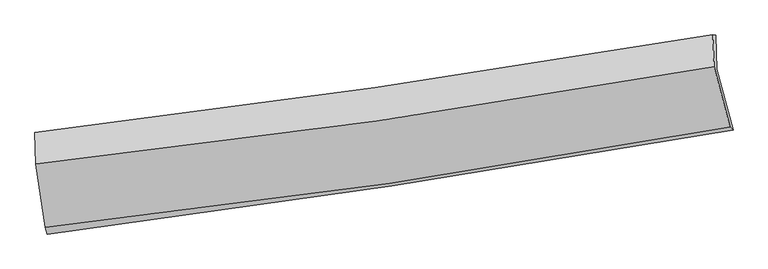
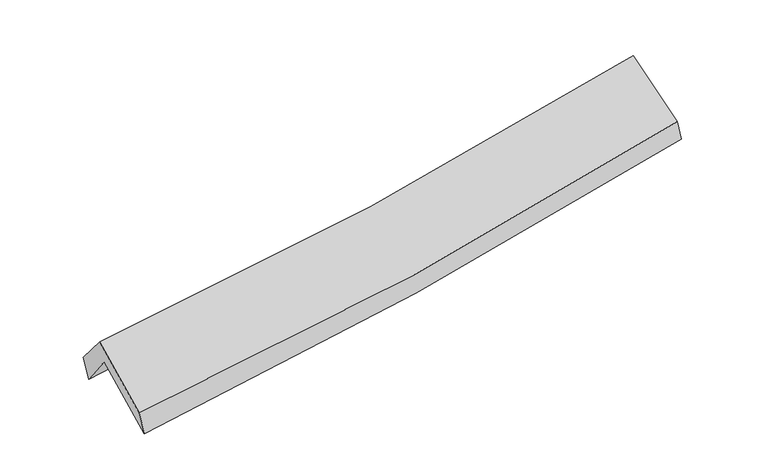
"""IFC4 building model written with IfcOpenShell, lengths in millimetres: proxy geometry."""

from ifc_helpers import new_model, si_unit, frame, origin, place, context, project, spatial, source, transform, mapped, element, save
from ifc_brep_helpers import plane_surface, spline_curve, spline_surface, advanced_brep


def generic_models_684fb9e7(model_context):
    return source(origin(), model_context, "Body", "AdvancedBrep", [
        advanced_brep(
        [(-2717.6624438, -2505.4656812, 1472.539298), (-2794.0965932, -1981.3402847, 1902.6946622), (2726.2682862, -1163.2815674, 2372.8516662), (2858.3496452, -1657.1272424, 1956.6470628), (-2800.130502, -1733.5234788, 1578.4542371), (2715.4532006, -886.8989763, 2070.9520322), (-2816.7163661, -1676.9910692, 1771.0450792), (2694.6353784, -882.8563691, 2241.632265), (-2808.7622117, -1932.7177187, 2075.3560839), (2703.4671985, -1139.758445, 2532.6009547), (-2733.3585398, -2449.7769089, 1651.0000313), (2834.3534546, -1634.0430698, 2127.1502294)],
        [
            (0, 1),
            (1, 2, spline_curve(3, [(-2794.0965932, -1981.3402847, 1902.6946622), (-1867.133555886, -1875.828343323, 1959.812441789), (-943.230630804, -1754.82924302, 2027.593721312), (896.880540537, -1482.090089552, 2184.349156537), (1813.099241737, -1330.402950433, 2273.286878121), (2726.2682862, -1163.2815674, 2372.8516662)], [4, 2, 4], [0.0, 9.246793029003713, 18.4777759071045])),
            (2, 3),
            (3, 0, spline_curve(3, [(2858.3496452, -1657.1272424, 1956.6470628), (1936.866463079, -1819.766181073, 1843.574335932), (1011.857801136, -1971.729174038, 1746.716291058), (-846.800808559, -2254.545254661, 1585.291446102), (-1780.462842895, -2385.361741301, 1520.780235804), (-2717.6624438, -2505.4656812, 1472.539298)], [4, 2, 4], [0.0, 9.230982878100788, 18.4777759071045])),
            (1, 4),
            (4, 5, spline_curve(3, [(-2800.130502, -1733.5234788, 1578.4542371), (-1873.000100719, -1622.729651786, 1634.03928806), (-949.41267851, -1496.707311259, 1702.919779269), (889.103117096, -1214.447112611, 1867.131136865), (1804.043595814, -1058.261285975, 1962.416577552), (2715.4532006, -886.8989763, 2070.9520322)], [4, 2, 4], [0.0, 9.198473580485365, 18.381219626578226])),
            (5, 2),
            (4, 6),
            (6, 7, spline_curve(3, [(-2816.7163661, -1676.9910692, 1771.0450792), (-1892.84733543, -1566.776333801, 1828.192661192), (-971.242470416, -1445.424930017, 1896.024739103), (865.86704186, -1180.675312663, 2052.923639593), (1781.379424842, -1037.315149954, 2141.953957063), (2694.6353784, -882.8563691, 2241.632265)], [4, 2, 4], [0.0, 9.187916812597537, 18.360124140746244])),
            (7, 5),
            (6, 8),
            (8, 9, spline_curve(3, [(-2808.7622117, -1932.7177187, 2075.3560839), (-1882.184394211, -1833.43433361, 2115.96088899), (-959.153030404, -1717.642047877, 2174.414892517), (878.244656077, -1453.265884664, 2326.890834598), (1792.623095554, -1304.738412146, 2420.851787675), (2703.4671985, -1139.758445, 2532.6009547)], [4, 2, 4], [0.0, 9.176880615844322, 18.338070616910144])),
            (9, 7),
            (8, 10),
            (10, 11, spline_curve(3, [(-2733.3585398, -2449.7769089, 1651.0000313), (-1795.87761188, -2348.61063706, 1692.637670287), (-862.767893472, -2229.976584227, 1753.185789958), (993.121169957, -1958.005622656, 1911.967133862), (1915.915449314, -1804.728395852, 2010.135746489), (2834.3534546, -1634.0430698, 2127.1502294)], [4, 2, 4], [0.0, 9.226890805921453, 18.43800548972696])),
            (11, 9),
            (10, 0),
            (3, 11),
        ],
        [
            spline_surface(3, 3, [[(-2717.6624438, -2505.4656812, 1472.539298), (-1780.462842796, -2385.361741411, 1520.780235815), (-846.800808521, -2254.545254781, 1585.291446003), (1011.857801098, -1971.729173919, 1746.716291157), (1936.866463166, -1819.76618093, 1843.574335868), (2858.3496452, -1657.1272424, 1956.6470628)], [(-2743.14049363, -2330.757215701, 1615.924419403), (-1809.353080528, -2215.51727536, 1667.124304453), (-878.944082563, -2087.973250897, 1732.725537807), (973.53204754, -1808.516145772, 1892.59391292), (1895.610722632, -1656.645104114, 1986.811849927), (2814.322525514, -1492.512017398, 2095.38193059)], [(-2768.61854337, -2156.048750199, 1759.309540797), (-1838.24331817, -2045.672809305, 1813.468373081), (-911.087356627, -1921.401246996, 1880.159629604), (935.206293959, -1645.303117606, 2038.471534678), (1854.354982156, -1493.524027303, 2130.049364016), (2770.295405886, -1327.896792402, 2234.11679841)], [(-2794.0965932, -1981.3402847, 1902.6946622), (-1867.133555902, -1875.828343253, 1959.812441719), (-943.230630668, -1754.829243112, 2027.593721408), (896.880540402, -1482.090089459, 2184.349156441), (1813.099241623, -1330.402950487, 2273.286878076), (2726.2682862, -1163.2815674, 2372.8516662)]], [4, 4], [4, 2, 4], [0.0, 2.199531610414224], [0.0, 9.246793029003713, 18.4777759071045]),
            spline_surface(3, 3, [[(-2794.0965932, -1981.3402847, 1902.6946622), (-1867.133555902, -1875.828343253, 1959.812441719), (-943.230630668, -1754.829243112, 2027.593721408), (896.880540402, -1482.090089459, 2184.349156441), (1813.099241623, -1330.402950487, 2273.286878076), (2726.2682862, -1163.2815674, 2372.8516662)], [(-2796.107896121, -1898.734682718, 1794.614520514), (-1869.089070814, -1791.462112766, 1851.221390506), (-945.29131328, -1668.788599108, 1919.369073962), (894.288065992, -1392.875763891, 2078.609816609), (1810.080693047, -1239.689062305, 2169.663444598), (2722.663257683, -1071.154037023, 2272.218454877)], [(-2798.119199079, -1816.129080782, 1686.534378786), (-1871.044585764, -1707.095882324, 1742.630339251), (-947.351995933, -1582.747955111, 1811.144426576), (891.69559154, -1303.661438331, 1972.870476837), (1807.062144422, -1148.975174153, 2066.040011088), (2719.058229117, -979.026506677, 2171.585243523)], [(-2800.130502, -1733.5234788, 1578.4542371), (-1873.000100675, -1622.729651838, 1634.039288038), (-949.412678545, -1496.707311106, 1702.91977913), (889.10311713, -1214.447112763, 1867.131137004), (1804.043595846, -1058.261285972, 1962.41657761), (2715.4532006, -886.8989763, 2070.9520322)]], [4, 4], [4, 2, 4], [0.0, 1.361299557715241], [0.0, 9.198473580485365, 18.381219626578226]),
            spline_surface(3, 3, [[(-2800.130502, -1733.5234788, 1578.4542371), (-1873.000100675, -1622.729651838, 1634.039288038), (-949.412678545, -1496.707311106, 1702.91977913), (889.10311713, -1214.447112763, 1867.131137004), (1804.043595846, -1058.261285972, 1962.41657761), (2715.4532006, -886.8989763, 2070.9520322)], [(-2805.659123374, -1714.679342273, 1642.651184441), (-1879.615845636, -1604.078545833, 1698.757079024), (-956.689275856, -1479.613184019, 1767.288099108), (881.35775868, -1203.189846101, 1929.061971256), (1796.488872178, -1051.279240652, 2022.262370722), (2708.513926521, -885.55144055, 2127.845443101)], [(-2811.187744726, -1695.835205727, 1706.848131859), (-1886.231590576, -1585.427439811, 1763.474870087), (-963.965873096, -1462.519056961, 1831.656419023), (873.612400301, -1191.932579468, 1990.992805443), (1788.934148547, -1044.297195381, 2082.10816393), (2701.574652479, -884.20390485, 2184.738854099)], [(-2816.7163661, -1676.9910692, 1771.0450792), (-1892.847335537, -1566.776333807, 1828.192661072), (-971.242470407, -1445.424929873, 1896.024739001), (865.867041851, -1180.675312806, 2052.923639694), (1781.379424878, -1037.315150061, 2141.953957041), (2694.6353784, -882.8563691, 2241.632265)]], [4, 4], [4, 2, 4], [0.0, 0.6413240306042349], [0.0, 9.187916812597537, 18.360124140746244]),
            spline_surface(3, 3, [[(-2816.7163661, -1676.9910692, 1771.0450792), (-1892.847335537, -1566.776333807, 1828.192661072), (-971.242470407, -1445.424929873, 1896.024739001), (865.867041851, -1180.675312806, 2052.923639694), (1781.379424878, -1037.315150061, 2141.953957041), (2694.6353784, -882.8563691, 2241.632265)], [(-2814.064981307, -1762.233285691, 1872.482080763), (-1889.293021739, -1655.662333713, 1924.115403694), (-967.212657051, -1536.163969253, 1988.82145688), (869.992913236, -1271.53883674, 2144.246037953), (1785.127315121, -1126.456237461, 2234.919900609), (2697.579318441, -968.490394412, 2338.621828257)], [(-2811.413596493, -1847.475502209, 1973.919082337), (-1885.73870792, -1744.548333645, 2020.038146327), (-963.182843691, -1626.903008594, 2081.618174762), (874.118784625, -1362.402360634, 2235.568436215), (1788.875205343, -1215.597324824, 2327.885844105), (2700.523258459, -1054.124419688, 2435.611391443)], [(-2808.7622117, -1932.7177187, 2075.3560839), (-1882.184394122, -1833.434333551, 2115.96088895), (-959.153030336, -1717.642047974, 2174.414892641), (878.24465601, -1453.265884567, 2326.890834474), (1792.623095586, -1304.738412224, 2420.851787672), (2703.4671985, -1139.758445, 2532.6009547)]], [4, 4], [4, 2, 4], [0.0, 1.273329791042871], [0.0, 9.176880615844322, 18.338070616910144]),
            spline_surface(3, 3, [[(-2808.7622117, -1932.7177187, 2075.3560839), (-1882.184394122, -1833.434333551, 2115.96088895), (-959.153030336, -1717.642047974, 2174.414892641), (878.24465601, -1453.265884567, 2326.890834474), (1792.623095586, -1304.738412224, 2420.851787672), (2703.4671985, -1139.758445, 2532.6009547)], [(-2783.627654396, -2105.070782099, 1933.904066396), (-1853.415466723, -2005.159768057, 1974.853149383), (-927.024651339, -1888.420226673, 2034.005191783), (916.53682728, -1621.512463942, 2188.582934216), (1833.720546838, -1471.401740141, 2283.946440618), (2747.095950545, -1304.519986608, 2397.450712937)], [(-2758.493097104, -2277.423845501, 1792.452048804), (-1824.646539338, -2176.885202565, 1833.745409727), (-894.896272337, -2059.198405432, 1893.595490953), (954.828998555, -1789.759043377, 2050.275033984), (1874.817998056, -1638.065068034, 2147.041093551), (2790.724702555, -1469.281528192, 2262.300471163)], [(-2733.3585398, -2449.7769089, 1651.0000313), (-1795.877611939, -2348.61063707, 1692.63767016), (-862.76789334, -2229.976584131, 1753.185790095), (993.121169826, -1958.005622752, 1911.967133725), (1915.915449309, -1804.728395952, 2010.135746497), (2834.3534546, -1634.0430698, 2127.1502294)]], [4, 4], [4, 2, 4], [0.0, 2.187519633214779], [0.0, 9.226890805921453, 18.43800548972696]),
            spline_surface(3, 3, [[(-2733.3585398, -2449.7769089, 1651.0000313), (-1795.877611939, -2348.61063707, 1692.63767016), (-862.76789334, -2229.976584131, 1753.185790095), (993.121169826, -1958.005622752, 1911.967133725), (1915.915449309, -1804.728395952, 2010.135746497), (2834.3534546, -1634.0430698, 2127.1502294)], [(-2728.126507773, -2468.339833017, 1591.513120182), (-1790.739355531, -2360.861005201, 1635.351858694), (-857.445531729, -2238.166141027, 1697.221008737), (999.366713588, -1962.580139821, 1856.883519542), (1922.899120591, -1809.740990952, 1954.615276291), (2842.352184796, -1641.737794008, 2070.315840537)], [(-2722.894475827, -2486.902757083, 1532.026209118), (-1785.601099204, -2373.11137328, 1578.066047281), (-852.123170133, -2246.355697884, 1641.25622736), (1005.612257335, -1967.15465685, 1801.79990534), (1929.882791884, -1814.75358593, 1899.094806074), (2850.350915004, -1649.432518192, 2013.481451663)], [(-2717.6624438, -2505.4656812, 1472.539298), (-1780.462842796, -2385.361741411, 1520.780235815), (-846.800808521, -2254.545254781, 1585.291446003), (1011.857801098, -1971.729173919, 1746.716291157), (1936.866463166, -1819.76618093, 1843.574335868), (2858.3496452, -1657.1272424, 1956.6470628)]], [4, 4], [4, 2, 4], [0.0, 0.5530441137451024], [0.0, 9.2862045081009, 18.556531479619334]),
            plane_surface(frame((2755.4211939, -1227.3276117, 2216.9723684), z_axis=(0.9795683826061041, 0.164581761128269, 0.1155795297722684), x_axis=(0.20057252147928167, -0.757450907815765, -0.621320195934847))),
            plane_surface(frame((-2778.4544428, -2046.6358569, 1741.848232), z_axis=(-0.9935345912674121, -0.09836303126393252, -0.05668977011478529), x_axis=(-0.0836654170475255, 0.29683969438600993, 0.9512551150070542))),
        ],
        [
            (0, [[1, 2, 3, 4]]),
            (1, [[5, 6, 7, -2]]),
            (2, [[8, 9, 10, -6]]),
            (3, [[11, 12, 13, -9]]),
            (4, [[14, 15, 16, -12]]),
            (5, [[17, -4, 18, -15]]),
            (6, [[-16, -18, -3, -7, -10, -13]]),
            (7, [[-17, -14, -11, -8, -5, -1]]),
        ],
    ),
    ])


if __name__ == "__main__":
    model = new_model("IFC4")
    model_context = context("Model", 3, world=origin())
    ifc_project = project(units=[si_unit("LENGTHUNIT", "METRE", prefix="MILLI")], contexts=[model_context])
    site = spatial("IfcSite", under=ifc_project)
    building = spatial("IfcBuilding", under=site)
    placement = place(None, origin())
    generic_models_shape = generic_models_684fb9e7(model_context)
    element("IfcBuildingElementProxy", 1, Name="Generic Models", at=placement, inside=building, context=model_context, shape_type="MappedRepresentation", body=[
        mapped(generic_models_shape, transform((0.0, 0.0, 0.0), x_axis=(1.0, 0.0, 0.0), y_axis=(0.0, 1.0, 0.0), z_axis=(0.0, 0.0, 1.0))),
    ])
    save(model, "model.ifc")
